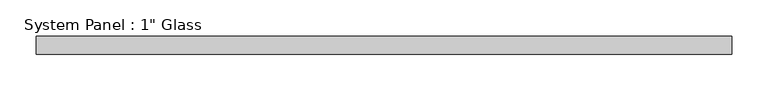
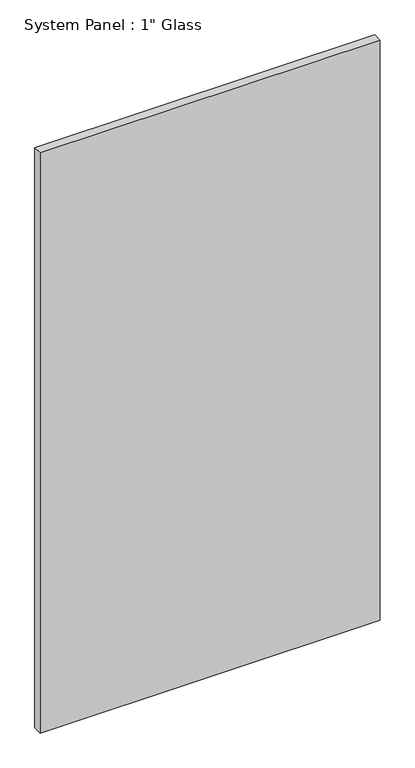
"""IFC4 building model written with IfcOpenShell, lengths in millimetres: plate geometry."""

from ifc_helpers import new_model, si_unit, origin, origin_with_axes, place, context, project, spatial, polyline, outline, extrude, source, transform, mapped, element, save


def plate_e3613f96(model_context):
    return source(origin(), model_context, "Body", "SweptSolid", [
        extrude(outline(polyline([(482.6, -12.7), (-482.6, -12.7), (-482.6, 12.7), (482.6, 12.7), (482.6, -12.7)])), origin_with_axes(), (0.0, 0.0, 1.0), 1739.9),
    ])


if __name__ == "__main__":
    model = new_model("IFC4")
    model_context = context("Model", 3, world=origin())
    ifc_project = project(units=[si_unit("LENGTHUNIT", "METRE", prefix="MILLI")], contexts=[model_context])
    site = spatial("IfcSite", under=ifc_project)
    building = spatial("IfcBuilding", under=site)
    placement = place(None, origin())
    plate_shape = plate_e3613f96(model_context)
    element("IfcPlate", 1, ObjectType="System Panel : 1\" Glass", at=placement, inside=building, context=model_context, shape_type="MappedRepresentation", body=[
        mapped(plate_shape, transform((0.0, 0.0, 0.0), x_axis=(1.0, 0.0, 0.0), y_axis=(0.0, 1.0, 0.0), z_axis=(0.0, 0.0, 1.0))),
    ])
    save(model, "model.ifc")
